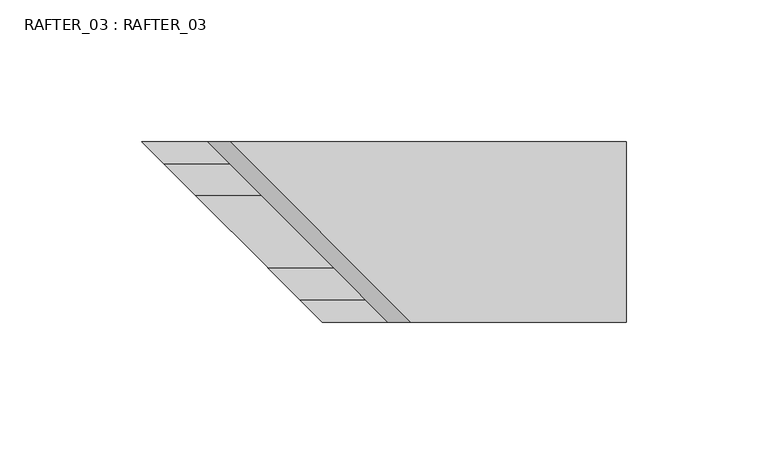
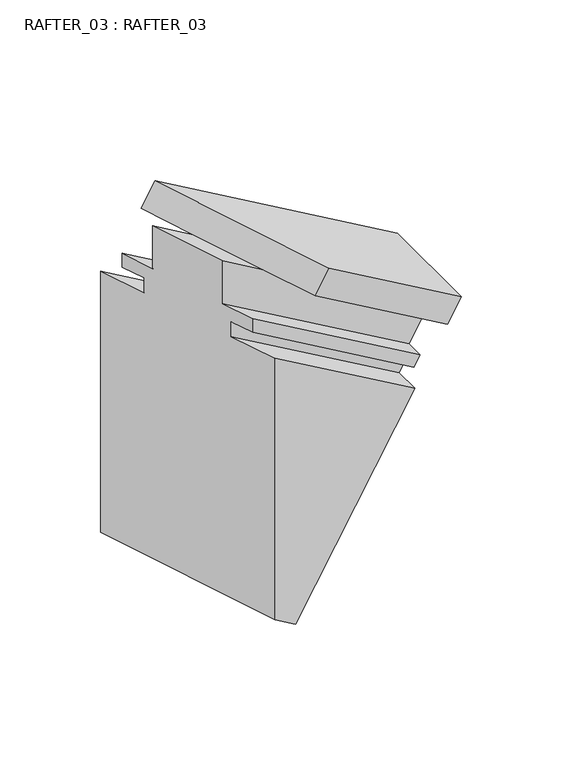
"""IFC4 building model written with IfcOpenShell, lengths in millimetres: proxy geometry, RAFTER_03 : RAFTER_03."""

from ifc_helpers import new_model, si_unit, origin, place, context, project, spatial, faceted_brep, source, transform, mapped, element, save


def rafter_03_rafter_03_2e926b8b(model_context):
    return source(origin(), model_context, "Body", "Brep", [
        faceted_brep([(12129.4399208, -12830.9889432, 1717.675), (12129.4399208, -12894.4889432, 1717.675), (12121.4309833, -12894.4889432, 1703.8031133), (12121.4309833, -12875.4389432, 1703.8031133), (12110.1914833, -12875.4389432, 1684.3357283), (12110.1914833, -12886.5641432, 1684.3357283), (12106.6100833, -12886.5641432, 1678.1325615), (12106.6100833, -12878.6139432, 1678.1325615), (12102.6603833, -12878.6139432, 1671.2914804), (12102.6603833, -12894.4889432, 1671.2914804), (12033.9914833, -12894.4889432, 1552.3534567), (12033.9914833, -12830.9889432, 1552.3534567), (12102.6603833, -12830.9889432, 1671.2914804), (12102.6603833, -12846.8639432, 1671.2914804), (12106.6100833, -12846.8639432, 1678.1325615), (12106.6100833, -12838.9137432, 1678.1325615), (12110.1914833, -12838.9137432, 1684.3357283), (12110.1914833, -12850.0389432, 1684.3357283), (12121.4309833, -12850.0389432, 1703.8031133), (12121.4309833, -12830.9889432, 1703.8031133), (11981.9845748, -12830.9889432, 1784.3125349), (11989.9935123, -12830.9889432, 1798.1844215), (12001.0345748, -12850.0389432, 1773.3140122), (11977.7899119, -12850.0389432, 1760.7778112), (11977.7927655, -12850.0389432, 1786.732677), (11966.6647119, -12838.9137432, 1767.2009484), (11966.6638027, -12838.9137432, 1758.9305843), (11974.6140027, -12846.8639432, 1754.3405342), (11974.6129999, -12846.8639432, 1745.2196718), (11958.7379999, -12830.9889432, 1754.3851073), (11958.7205655, -12830.9889432, 1595.8111414), (12022.2205655, -12894.4889432, 1559.1493993), (12022.2379999, -12894.4889432, 1717.7233652), (12006.3629999, -12878.6139432, 1726.8888007), (12006.3640027, -12878.6139432, 1736.0096632), (12014.3142027, -12886.5641432, 1731.4196131), (12014.3151119, -12886.5641432, 1739.6899771), (12003.1899119, -12875.4389432, 1746.1131143), (12026.4345748, -12875.4389432, 1758.6493154), (12003.2451974, -12875.4389432, 1772.1587949), (12045.4845748, -12894.4889432, 1747.6507928), (12053.4935123, -12894.4889432, 1761.5226794)], [[[0, 1, 2, 3, 4, 5, 6, 7, 8, 9, 10, 11, 12, 13, 14, 15, 16, 17, 18, 19]], [[0, 19, 20, 21]], [[19, 18, 22, 20]], [[18, 17, 23, 24, 22]], [[17, 16, 25, 23]], [[16, 15, 26, 25]], [[15, 14, 27, 26]], [[14, 13, 28, 27]], [[13, 12, 29, 28]], [[12, 11, 30, 29]], [[11, 10, 31, 30]], [[10, 9, 32, 31]], [[9, 8, 33, 32]], [[8, 7, 34, 33]], [[7, 6, 35, 34]], [[6, 5, 36, 35]], [[5, 4, 37, 36]], [[4, 3, 38, 39, 37]], [[3, 2, 40, 38]], [[2, 1, 41, 40]], [[1, 0, 21, 41]], [[24, 23, 25, 26, 27, 28, 29, 30, 31, 32, 33, 34, 35, 36, 37, 39]], [[22, 38, 40, 41, 21, 20]], [[38, 22, 24, 39]]]),
    ])


if __name__ == "__main__":
    model = new_model("IFC4")
    model_context = context("Model", 3, world=origin())
    ifc_project = project(units=[si_unit("LENGTHUNIT", "METRE", prefix="MILLI")], contexts=[model_context])
    site = spatial("IfcSite", under=ifc_project)
    building = spatial("IfcBuilding", under=site)
    placement = place(None, origin())
    rafter_03_rafter_03_shape = rafter_03_rafter_03_2e926b8b(model_context)
    element("IfcBuildingElementProxy", 1, Name="RAFTER_03 : RAFTER_03", ObjectType="RAFTER_03 : RAFTER_03", at=placement, inside=building, context=model_context, shape_type="MappedRepresentation", body=[
        mapped(rafter_03_rafter_03_shape, transform((0.0, 0.0, 0.0), x_axis=(1.0, 0.0, 0.0), y_axis=(0.0, 1.0, 0.0), z_axis=(0.0, 0.0, 1.0))),
    ])
    save(model, "model.ifc")
